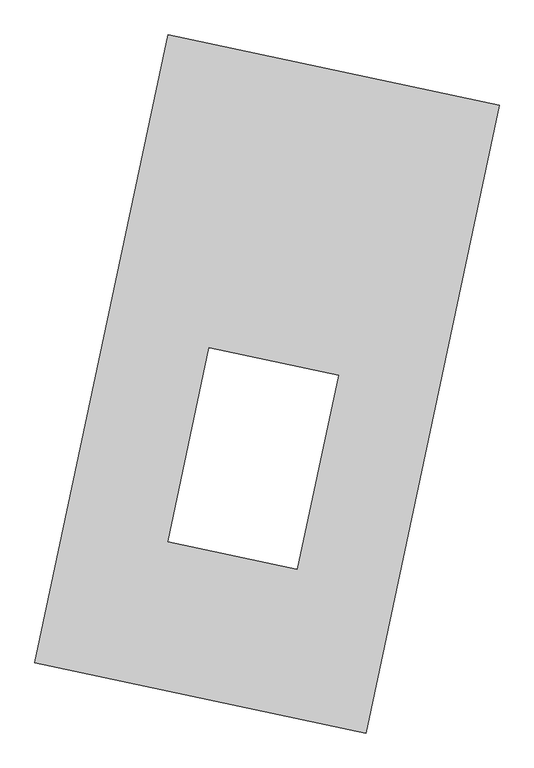
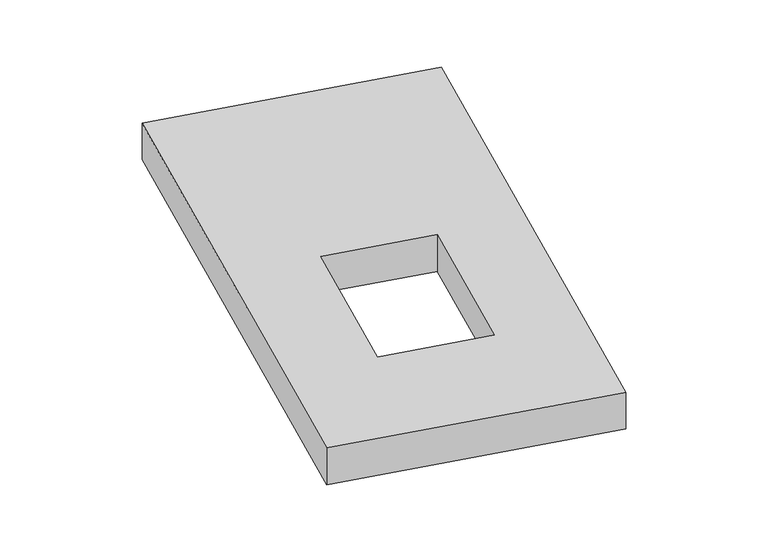
"""IFC4 building model written with IfcOpenShell, lengths in millimetres: proxy geometry."""

from ifc_helpers import new_model, si_unit, origin, origin_with_axes, place, context, project, spatial, polyline, outline, extrude, source, transform, mapped, element, save


def generic_models_c3aaa106(model_context):
    return source(origin(), model_context, "Body", "SweptSolid", [
        extrude(outline(polyline([(-617.3692021, 2175.5580432), (1447.7508745, 1737.3010494), (617.3692021, -2175.5580432), (-1447.7508745, -1737.3010494), (-617.3692021, 2175.5580432)]), holes=[polyline([(444.3917063, 54.3159368), (-359.8012142, 224.9806723), (-616.0152479, -982.3309109), (188.1776725, -1152.9956464), (444.3917063, 54.3159368)])]), origin_with_axes(), (0.0, 0.0, 1.0), 300.0),
    ])


if __name__ == "__main__":
    model = new_model("IFC4")
    model_context = context("Model", 3, world=origin())
    ifc_project = project(units=[si_unit("LENGTHUNIT", "METRE", prefix="MILLI")], contexts=[model_context])
    site = spatial("IfcSite", under=ifc_project)
    building = spatial("IfcBuilding", under=site)
    placement = place(None, origin())
    generic_models_shape = generic_models_c3aaa106(model_context)
    element("IfcBuildingElementProxy", 1, Name="Generic Models", at=placement, inside=building, context=model_context, shape_type="MappedRepresentation", body=[
        mapped(generic_models_shape, transform((0.0, 0.0, 0.0), x_axis=(1.0, 0.0, 0.0), y_axis=(0.0, 1.0, 0.0), z_axis=(0.0, 0.0, 1.0))),
    ])
    save(model, "model.ifc")
